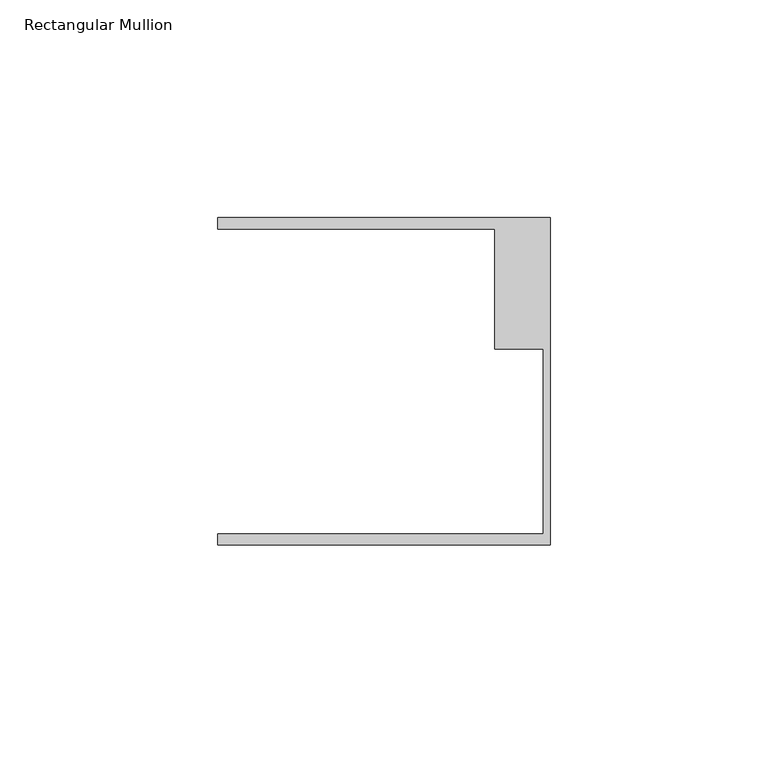
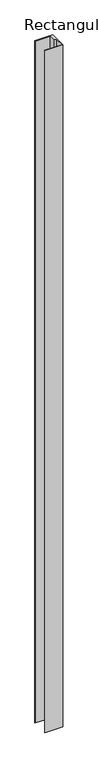
"""IFC4 building model written with IfcOpenShell, lengths in millimetres: member geometry, Rectangular Mullion."""

from ifc_helpers import new_model, si_unit, frame, origin, place, context, project, spatial, polyline, outline, extrude, source, transform, mapped, element, save


def rectangular_mullion_6d15f9df(model_context):
    return source(origin(), model_context, "Body", "SweptSolid", [
        extrude(outline(polyline([(0.0, -37.5776386), (-76.2, -37.5776386), (-76.2, -35.0376386), (-1.5875, -35.0376386), (-1.5875, 7.3398614), (-12.7, 7.3398614), (-12.7, 34.9623614), (-76.2, 34.9623614), (-76.2, 37.5023614), (0.0, 37.5023614), (0.0, -37.5776386)])), frame((0.0, 0.0, -3098.8), z_axis=(0.0, 0.0, 1.0), x_axis=(1.0, 0.0, 0.0)), (0.0, 0.0, 1.0), 3098.8),
    ])


if __name__ == "__main__":
    model = new_model("IFC4")
    model_context = context("Model", 3, world=origin())
    ifc_project = project(units=[si_unit("LENGTHUNIT", "METRE", prefix="MILLI")], contexts=[model_context])
    site = spatial("IfcSite", under=ifc_project)
    building = spatial("IfcBuilding", under=site)
    placement = place(None, origin())
    rectangular_mullion_shape = rectangular_mullion_6d15f9df(model_context)
    element("IfcMember", 1, ObjectType="Rectangular Mullion", at=placement, inside=building, context=model_context, shape_type="MappedRepresentation", body=[
        mapped(rectangular_mullion_shape, transform((0.0, 0.0, 0.0), x_axis=(1.0, 0.0, 0.0), y_axis=(0.0, 1.0, 0.0), z_axis=(0.0, 0.0, 1.0))),
    ])
    save(model, "model.ifc")
